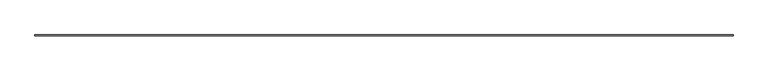
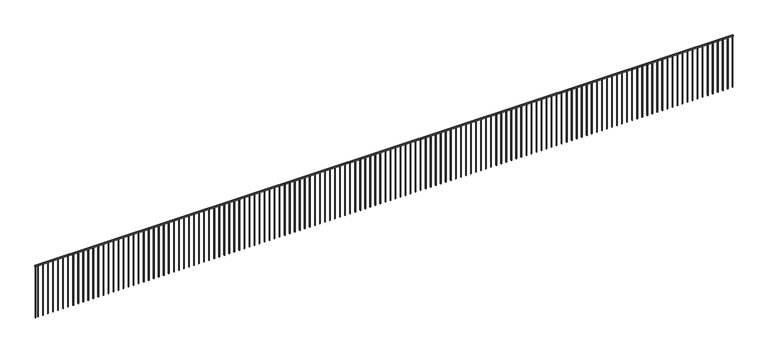
"""IFC4 building model written with IfcOpenShell, lengths in millimetres: railing geometry."""

from ifc_helpers import new_model, si_unit, frame, origin, place, context, project, spatial, polyline, outline, extrude, source, transform, mapped, element, save


def railing_aa4c80cc(model_context):
    return source(origin(), model_context, "Body", "SweptSolid", [
        extrude(outline(polyline([(-3954.7544917, -10644.8763614), (-3954.7544917, -10694.8763614), (-42054.7544917, -10694.8763614), (-42054.7544917, -10644.8763614), (-3954.7544917, -10644.8763614)])), frame((0.0, 0.0, 4850.0), z_axis=(0.0, 0.0, 1.0), x_axis=(1.0, 0.0, 0.0)), (0.0, 0.0, 1.0), 50.0),
        extrude(outline(polyline([(-41892.2544917, -10657.3763614), (-41892.2544917, -10682.3763614), (-41917.2544917, -10682.3763614), (-41917.2544917, -10657.3763614), (-41892.2544917, -10657.3763614)])), frame((0.0, 0.0, 1900.0), z_axis=(0.0, 0.0, 1.0), x_axis=(1.0, 0.0, 0.0)), (0.0, 0.0, 1.0), 2950.0),
        extrude(outline(polyline([(-41617.2544917, -10657.3763614), (-41617.2544917, -10682.3763614), (-41642.2544917, -10682.3763614), (-41642.2544917, -10657.3763614), (-41617.2544917, -10657.3763614)])), frame((0.0, 0.0, 1900.0), z_axis=(0.0, 0.0, 1.0), x_axis=(1.0, 0.0, 0.0)), (0.0, 0.0, 1.0), 2950.0),
        extrude(outline(polyline([(-41342.2544917, -10657.3763614), (-41342.2544917, -10682.3763614), (-41367.2544917, -10682.3763614), (-41367.2544917, -10657.3763614), (-41342.2544917, -10657.3763614)])), frame((0.0, 0.0, 1900.0), z_axis=(0.0, 0.0, 1.0), x_axis=(1.0, 0.0, 0.0)), (0.0, 0.0, 1.0), 2950.0),
        extrude(outline(polyline([(-41067.2544917, -10657.3763614), (-41067.2544917, -10682.3763614), (-41092.2544917, -10682.3763614), (-41092.2544917, -10657.3763614), (-41067.2544917, -10657.3763614)])), frame((0.0, 0.0, 1900.0), z_axis=(0.0, 0.0, 1.0), x_axis=(1.0, 0.0, 0.0)), (0.0, 0.0, 1.0), 2950.0),
        extrude(outline(polyline([(-40792.2544917, -10657.3763614), (-40792.2544917, -10682.3763614), (-40817.2544917, -10682.3763614), (-40817.2544917, -10657.3763614), (-40792.2544917, -10657.3763614)])), frame((0.0, 0.0, 1900.0), z_axis=(0.0, 0.0, 1.0), x_axis=(1.0, 0.0, 0.0)), (0.0, 0.0, 1.0), 2950.0),
        extrude(outline(polyline([(-40517.2544917, -10657.3763614), (-40517.2544917, -10682.3763614), (-40542.2544917, -10682.3763614), (-40542.2544917, -10657.3763614), (-40517.2544917, -10657.3763614)])), frame((0.0, 0.0, 1900.0), z_axis=(0.0, 0.0, 1.0), x_axis=(1.0, 0.0, 0.0)), (0.0, 0.0, 1.0), 2950.0),
        extrude(outline(polyline([(-40242.2544917, -10657.3763614), (-40242.2544917, -10682.3763614), (-40267.2544917, -10682.3763614), (-40267.2544917, -10657.3763614), (-40242.2544917, -10657.3763614)])), frame((0.0, 0.0, 1900.0), z_axis=(0.0, 0.0, 1.0), x_axis=(1.0, 0.0, 0.0)), (0.0, 0.0, 1.0), 2950.0),
        extrude(outline(polyline([(-39967.2544917, -10657.3763614), (-39967.2544917, -10682.3763614), (-39992.2544917, -10682.3763614), (-39992.2544917, -10657.3763614), (-39967.2544917, -10657.3763614)])), frame((0.0, 0.0, 1900.0), z_axis=(0.0, 0.0, 1.0), x_axis=(1.0, 0.0, 0.0)), (0.0, 0.0, 1.0), 2950.0),
        extrude(outline(polyline([(-39692.2544917, -10657.3763614), (-39692.2544917, -10682.3763614), (-39717.2544917, -10682.3763614), (-39717.2544917, -10657.3763614), (-39692.2544917, -10657.3763614)])), frame((0.0, 0.0, 1900.0), z_axis=(0.0, 0.0, 1.0), x_axis=(1.0, 0.0, 0.0)), (0.0, 0.0, 1.0), 2950.0),
        extrude(outline(polyline([(-39417.2544917, -10657.3763614), (-39417.2544917, -10682.3763614), (-39442.2544917, -10682.3763614), (-39442.2544917, -10657.3763614), (-39417.2544917, -10657.3763614)])), frame((0.0, 0.0, 1900.0), z_axis=(0.0, 0.0, 1.0), x_axis=(1.0, 0.0, 0.0)), (0.0, 0.0, 1.0), 2950.0),
        extrude(outline(polyline([(-39142.2544917, -10657.3763614), (-39142.2544917, -10682.3763614), (-39167.2544917, -10682.3763614), (-39167.2544917, -10657.3763614), (-39142.2544917, -10657.3763614)])), frame((0.0, 0.0, 1900.0), z_axis=(0.0, 0.0, 1.0), x_axis=(1.0, 0.0, 0.0)), (0.0, 0.0, 1.0), 2950.0),
        extrude(outline(polyline([(-38867.2544917, -10657.3763614), (-38867.2544917, -10682.3763614), (-38892.2544917, -10682.3763614), (-38892.2544917, -10657.3763614), (-38867.2544917, -10657.3763614)])), frame((0.0, 0.0, 1900.0), z_axis=(0.0, 0.0, 1.0), x_axis=(1.0, 0.0, 0.0)), (0.0, 0.0, 1.0), 2950.0),
        extrude(outline(polyline([(-38592.2544917, -10657.3763614), (-38592.2544917, -10682.3763614), (-38617.2544917, -10682.3763614), (-38617.2544917, -10657.3763614), (-38592.2544917, -10657.3763614)])), frame((0.0, 0.0, 1900.0), z_axis=(0.0, 0.0, 1.0), x_axis=(1.0, 0.0, 0.0)), (0.0, 0.0, 1.0), 2950.0),
        extrude(outline(polyline([(-38317.2544917, -10657.3763614), (-38317.2544917, -10682.3763614), (-38342.2544917, -10682.3763614), (-38342.2544917, -10657.3763614), (-38317.2544917, -10657.3763614)])), frame((0.0, 0.0, 1900.0), z_axis=(0.0, 0.0, 1.0), x_axis=(1.0, 0.0, 0.0)), (0.0, 0.0, 1.0), 2950.0),
        extrude(outline(polyline([(-38042.2544917, -10657.3763614), (-38042.2544917, -10682.3763614), (-38067.2544917, -10682.3763614), (-38067.2544917, -10657.3763614), (-38042.2544917, -10657.3763614)])), frame((0.0, 0.0, 1900.0), z_axis=(0.0, 0.0, 1.0), x_axis=(1.0, 0.0, 0.0)), (0.0, 0.0, 1.0), 2950.0),
        extrude(outline(polyline([(-37767.2544917, -10657.3763614), (-37767.2544917, -10682.3763614), (-37792.2544917, -10682.3763614), (-37792.2544917, -10657.3763614), (-37767.2544917, -10657.3763614)])), frame((0.0, 0.0, 1900.0), z_axis=(0.0, 0.0, 1.0), x_axis=(1.0, 0.0, 0.0)), (0.0, 0.0, 1.0), 2950.0),
        extrude(outline(polyline([(-37492.2544917, -10657.3763614), (-37492.2544917, -10682.3763614), (-37517.2544917, -10682.3763614), (-37517.2544917, -10657.3763614), (-37492.2544917, -10657.3763614)])), frame((0.0, 0.0, 1900.0), z_axis=(0.0, 0.0, 1.0), x_axis=(1.0, 0.0, 0.0)), (0.0, 0.0, 1.0), 2950.0),
        extrude(outline(polyline([(-37217.2544917, -10657.3763614), (-37217.2544917, -10682.3763614), (-37242.2544917, -10682.3763614), (-37242.2544917, -10657.3763614), (-37217.2544917, -10657.3763614)])), frame((0.0, 0.0, 1900.0), z_axis=(0.0, 0.0, 1.0), x_axis=(1.0, 0.0, 0.0)), (0.0, 0.0, 1.0), 2950.0),
        extrude(outline(polyline([(-36942.2544917, -10657.3763614), (-36942.2544917, -10682.3763614), (-36967.2544917, -10682.3763614), (-36967.2544917, -10657.3763614), (-36942.2544917, -10657.3763614)])), frame((0.0, 0.0, 1900.0), z_axis=(0.0, 0.0, 1.0), x_axis=(1.0, 0.0, 0.0)), (0.0, 0.0, 1.0), 2950.0),
        extrude(outline(polyline([(-36667.2544917, -10657.3763614), (-36667.2544917, -10682.3763614), (-36692.2544917, -10682.3763614), (-36692.2544917, -10657.3763614), (-36667.2544917, -10657.3763614)])), frame((0.0, 0.0, 1900.0), z_axis=(0.0, 0.0, 1.0), x_axis=(1.0, 0.0, 0.0)), (0.0, 0.0, 1.0), 2950.0),
        extrude(outline(polyline([(-36392.2544917, -10657.3763614), (-36392.2544917, -10682.3763614), (-36417.2544917, -10682.3763614), (-36417.2544917, -10657.3763614), (-36392.2544917, -10657.3763614)])), frame((0.0, 0.0, 1900.0), z_axis=(0.0, 0.0, 1.0), x_axis=(1.0, 0.0, 0.0)), (0.0, 0.0, 1.0), 2950.0),
        extrude(outline(polyline([(-36117.2544917, -10657.3763614), (-36117.2544917, -10682.3763614), (-36142.2544917, -10682.3763614), (-36142.2544917, -10657.3763614), (-36117.2544917, -10657.3763614)])), frame((0.0, 0.0, 1900.0), z_axis=(0.0, 0.0, 1.0), x_axis=(1.0, 0.0, 0.0)), (0.0, 0.0, 1.0), 2950.0),
        extrude(outline(polyline([(-35842.2544917, -10657.3763614), (-35842.2544917, -10682.3763614), (-35867.2544917, -10682.3763614), (-35867.2544917, -10657.3763614), (-35842.2544917, -10657.3763614)])), frame((0.0, 0.0, 1900.0), z_axis=(0.0, 0.0, 1.0), x_axis=(1.0, 0.0, 0.0)), (0.0, 0.0, 1.0), 2950.0),
        extrude(outline(polyline([(-35567.2544917, -10657.3763614), (-35567.2544917, -10682.3763614), (-35592.2544917, -10682.3763614), (-35592.2544917, -10657.3763614), (-35567.2544917, -10657.3763614)])), frame((0.0, 0.0, 1900.0), z_axis=(0.0, 0.0, 1.0), x_axis=(1.0, 0.0, 0.0)), (0.0, 0.0, 1.0), 2950.0),
        extrude(outline(polyline([(-35292.2544917, -10657.3763614), (-35292.2544917, -10682.3763614), (-35317.2544917, -10682.3763614), (-35317.2544917, -10657.3763614), (-35292.2544917, -10657.3763614)])), frame((0.0, 0.0, 1900.0), z_axis=(0.0, 0.0, 1.0), x_axis=(1.0, 0.0, 0.0)), (0.0, 0.0, 1.0), 2950.0),
        extrude(outline(polyline([(-35017.2544917, -10657.3763614), (-35017.2544917, -10682.3763614), (-35042.2544917, -10682.3763614), (-35042.2544917, -10657.3763614), (-35017.2544917, -10657.3763614)])), frame((0.0, 0.0, 1900.0), z_axis=(0.0, 0.0, 1.0), x_axis=(1.0, 0.0, 0.0)), (0.0, 0.0, 1.0), 2950.0),
        extrude(outline(polyline([(-34742.2544917, -10657.3763614), (-34742.2544917, -10682.3763614), (-34767.2544917, -10682.3763614), (-34767.2544917, -10657.3763614), (-34742.2544917, -10657.3763614)])), frame((0.0, 0.0, 1900.0), z_axis=(0.0, 0.0, 1.0), x_axis=(1.0, 0.0, 0.0)), (0.0, 0.0, 1.0), 2950.0),
        extrude(outline(polyline([(-34467.2544917, -10657.3763614), (-34467.2544917, -10682.3763614), (-34492.2544917, -10682.3763614), (-34492.2544917, -10657.3763614), (-34467.2544917, -10657.3763614)])), frame((0.0, 0.0, 1900.0), z_axis=(0.0, 0.0, 1.0), x_axis=(1.0, 0.0, 0.0)), (0.0, 0.0, 1.0), 2950.0),
        extrude(outline(polyline([(-34192.2544917, -10657.3763614), (-34192.2544917, -10682.3763614), (-34217.2544917, -10682.3763614), (-34217.2544917, -10657.3763614), (-34192.2544917, -10657.3763614)])), frame((0.0, 0.0, 1900.0), z_axis=(0.0, 0.0, 1.0), x_axis=(1.0, 0.0, 0.0)), (0.0, 0.0, 1.0), 2950.0),
        extrude(outline(polyline([(-33917.2544917, -10657.3763614), (-33917.2544917, -10682.3763614), (-33942.2544917, -10682.3763614), (-33942.2544917, -10657.3763614), (-33917.2544917, -10657.3763614)])), frame((0.0, 0.0, 1900.0), z_axis=(0.0, 0.0, 1.0), x_axis=(1.0, 0.0, 0.0)), (0.0, 0.0, 1.0), 2950.0),
        extrude(outline(polyline([(-33642.2544917, -10657.3763614), (-33642.2544917, -10682.3763614), (-33667.2544917, -10682.3763614), (-33667.2544917, -10657.3763614), (-33642.2544917, -10657.3763614)])), frame((0.0, 0.0, 1900.0), z_axis=(0.0, 0.0, 1.0), x_axis=(1.0, 0.0, 0.0)), (0.0, 0.0, 1.0), 2950.0),
        extrude(outline(polyline([(-33367.2544917, -10657.3763614), (-33367.2544917, -10682.3763614), (-33392.2544917, -10682.3763614), (-33392.2544917, -10657.3763614), (-33367.2544917, -10657.3763614)])), frame((0.0, 0.0, 1900.0), z_axis=(0.0, 0.0, 1.0), x_axis=(1.0, 0.0, 0.0)), (0.0, 0.0, 1.0), 2950.0),
        extrude(outline(polyline([(-33092.2544917, -10657.3763614), (-33092.2544917, -10682.3763614), (-33117.2544917, -10682.3763614), (-33117.2544917, -10657.3763614), (-33092.2544917, -10657.3763614)])), frame((0.0, 0.0, 1900.0), z_axis=(0.0, 0.0, 1.0), x_axis=(1.0, 0.0, 0.0)), (0.0, 0.0, 1.0), 2950.0),
        extrude(outline(polyline([(-32817.2544917, -10657.3763614), (-32817.2544917, -10682.3763614), (-32842.2544917, -10682.3763614), (-32842.2544917, -10657.3763614), (-32817.2544917, -10657.3763614)])), frame((0.0, 0.0, 1900.0), z_axis=(0.0, 0.0, 1.0), x_axis=(1.0, 0.0, 0.0)), (0.0, 0.0, 1.0), 2950.0),
        extrude(outline(polyline([(-32542.2544917, -10657.3763614), (-32542.2544917, -10682.3763614), (-32567.2544917, -10682.3763614), (-32567.2544917, -10657.3763614), (-32542.2544917, -10657.3763614)])), frame((0.0, 0.0, 1900.0), z_axis=(0.0, 0.0, 1.0), x_axis=(1.0, 0.0, 0.0)), (0.0, 0.0, 1.0), 2950.0),
        extrude(outline(polyline([(-32267.2544917, -10657.3763614), (-32267.2544917, -10682.3763614), (-32292.2544917, -10682.3763614), (-32292.2544917, -10657.3763614), (-32267.2544917, -10657.3763614)])), frame((0.0, 0.0, 1900.0), z_axis=(0.0, 0.0, 1.0), x_axis=(1.0, 0.0, 0.0)), (0.0, 0.0, 1.0), 2950.0),
        extrude(outline(polyline([(-31992.2544917, -10657.3763614), (-31992.2544917, -10682.3763614), (-32017.2544917, -10682.3763614), (-32017.2544917, -10657.3763614), (-31992.2544917, -10657.3763614)])), frame((0.0, 0.0, 1900.0), z_axis=(0.0, 0.0, 1.0), x_axis=(1.0, 0.0, 0.0)), (0.0, 0.0, 1.0), 2950.0),
        extrude(outline(polyline([(-31717.2544917, -10657.3763614), (-31717.2544917, -10682.3763614), (-31742.2544917, -10682.3763614), (-31742.2544917, -10657.3763614), (-31717.2544917, -10657.3763614)])), frame((0.0, 0.0, 1900.0), z_axis=(0.0, 0.0, 1.0), x_axis=(1.0, 0.0, 0.0)), (0.0, 0.0, 1.0), 2950.0),
        extrude(outline(polyline([(-31442.2544917, -10657.3763614), (-31442.2544917, -10682.3763614), (-31467.2544917, -10682.3763614), (-31467.2544917, -10657.3763614), (-31442.2544917, -10657.3763614)])), frame((0.0, 0.0, 1900.0), z_axis=(0.0, 0.0, 1.0), x_axis=(1.0, 0.0, 0.0)), (0.0, 0.0, 1.0), 2950.0),
        extrude(outline(polyline([(-31167.2544917, -10657.3763614), (-31167.2544917, -10682.3763614), (-31192.2544917, -10682.3763614), (-31192.2544917, -10657.3763614), (-31167.2544917, -10657.3763614)])), frame((0.0, 0.0, 1900.0), z_axis=(0.0, 0.0, 1.0), x_axis=(1.0, 0.0, 0.0)), (0.0, 0.0, 1.0), 2950.0),
        extrude(outline(polyline([(-30892.2544917, -10657.3763614), (-30892.2544917, -10682.3763614), (-30917.2544917, -10682.3763614), (-30917.2544917, -10657.3763614), (-30892.2544917, -10657.3763614)])), frame((0.0, 0.0, 1900.0), z_axis=(0.0, 0.0, 1.0), x_axis=(1.0, 0.0, 0.0)), (0.0, 0.0, 1.0), 2950.0),
        extrude(outline(polyline([(-30617.2544917, -10657.3763614), (-30617.2544917, -10682.3763614), (-30642.2544917, -10682.3763614), (-30642.2544917, -10657.3763614), (-30617.2544917, -10657.3763614)])), frame((0.0, 0.0, 1900.0), z_axis=(0.0, 0.0, 1.0), x_axis=(1.0, 0.0, 0.0)), (0.0, 0.0, 1.0), 2950.0),
        extrude(outline(polyline([(-30342.2544917, -10657.3763614), (-30342.2544917, -10682.3763614), (-30367.2544917, -10682.3763614), (-30367.2544917, -10657.3763614), (-30342.2544917, -10657.3763614)])), frame((0.0, 0.0, 1900.0), z_axis=(0.0, 0.0, 1.0), x_axis=(1.0, 0.0, 0.0)), (0.0, 0.0, 1.0), 2950.0),
        extrude(outline(polyline([(-30067.2544917, -10657.3763614), (-30067.2544917, -10682.3763614), (-30092.2544917, -10682.3763614), (-30092.2544917, -10657.3763614), (-30067.2544917, -10657.3763614)])), frame((0.0, 0.0, 1900.0), z_axis=(0.0, 0.0, 1.0), x_axis=(1.0, 0.0, 0.0)), (0.0, 0.0, 1.0), 2950.0),
        extrude(outline(polyline([(-29792.2544917, -10657.3763614), (-29792.2544917, -10682.3763614), (-29817.2544917, -10682.3763614), (-29817.2544917, -10657.3763614), (-29792.2544917, -10657.3763614)])), frame((0.0, 0.0, 1900.0), z_axis=(0.0, 0.0, 1.0), x_axis=(1.0, 0.0, 0.0)), (0.0, 0.0, 1.0), 2950.0),
        extrude(outline(polyline([(-29517.2544917, -10657.3763614), (-29517.2544917, -10682.3763614), (-29542.2544917, -10682.3763614), (-29542.2544917, -10657.3763614), (-29517.2544917, -10657.3763614)])), frame((0.0, 0.0, 1900.0), z_axis=(0.0, 0.0, 1.0), x_axis=(1.0, 0.0, 0.0)), (0.0, 0.0, 1.0), 2950.0),
        extrude(outline(polyline([(-29242.2544917, -10657.3763614), (-29242.2544917, -10682.3763614), (-29267.2544917, -10682.3763614), (-29267.2544917, -10657.3763614), (-29242.2544917, -10657.3763614)])), frame((0.0, 0.0, 1900.0), z_axis=(0.0, 0.0, 1.0), x_axis=(1.0, 0.0, 0.0)), (0.0, 0.0, 1.0), 2950.0),
        extrude(outline(polyline([(-28967.2544917, -10657.3763614), (-28967.2544917, -10682.3763614), (-28992.2544917, -10682.3763614), (-28992.2544917, -10657.3763614), (-28967.2544917, -10657.3763614)])), frame((0.0, 0.0, 1900.0), z_axis=(0.0, 0.0, 1.0), x_axis=(1.0, 0.0, 0.0)), (0.0, 0.0, 1.0), 2950.0),
        extrude(outline(polyline([(-28692.2544917, -10657.3763614), (-28692.2544917, -10682.3763614), (-28717.2544917, -10682.3763614), (-28717.2544917, -10657.3763614), (-28692.2544917, -10657.3763614)])), frame((0.0, 0.0, 1900.0), z_axis=(0.0, 0.0, 1.0), x_axis=(1.0, 0.0, 0.0)), (0.0, 0.0, 1.0), 2950.0),
        extrude(outline(polyline([(-28417.2544917, -10657.3763614), (-28417.2544917, -10682.3763614), (-28442.2544917, -10682.3763614), (-28442.2544917, -10657.3763614), (-28417.2544917, -10657.3763614)])), frame((0.0, 0.0, 1900.0), z_axis=(0.0, 0.0, 1.0), x_axis=(1.0, 0.0, 0.0)), (0.0, 0.0, 1.0), 2950.0),
        extrude(outline(polyline([(-28142.2544917, -10657.3763614), (-28142.2544917, -10682.3763614), (-28167.2544917, -10682.3763614), (-28167.2544917, -10657.3763614), (-28142.2544917, -10657.3763614)])), frame((0.0, 0.0, 1900.0), z_axis=(0.0, 0.0, 1.0), x_axis=(1.0, 0.0, 0.0)), (0.0, 0.0, 1.0), 2950.0),
        extrude(outline(polyline([(-27867.2544917, -10657.3763614), (-27867.2544917, -10682.3763614), (-27892.2544917, -10682.3763614), (-27892.2544917, -10657.3763614), (-27867.2544917, -10657.3763614)])), frame((0.0, 0.0, 1900.0), z_axis=(0.0, 0.0, 1.0), x_axis=(1.0, 0.0, 0.0)), (0.0, 0.0, 1.0), 2950.0),
        extrude(outline(polyline([(-27592.2544917, -10657.3763614), (-27592.2544917, -10682.3763614), (-27617.2544917, -10682.3763614), (-27617.2544917, -10657.3763614), (-27592.2544917, -10657.3763614)])), frame((0.0, 0.0, 1900.0), z_axis=(0.0, 0.0, 1.0), x_axis=(1.0, 0.0, 0.0)), (0.0, 0.0, 1.0), 2950.0),
        extrude(outline(polyline([(-27317.2544917, -10657.3763614), (-27317.2544917, -10682.3763614), (-27342.2544917, -10682.3763614), (-27342.2544917, -10657.3763614), (-27317.2544917, -10657.3763614)])), frame((0.0, 0.0, 1900.0), z_axis=(0.0, 0.0, 1.0), x_axis=(1.0, 0.0, 0.0)), (0.0, 0.0, 1.0), 2950.0),
        extrude(outline(polyline([(-27042.2544917, -10657.3763614), (-27042.2544917, -10682.3763614), (-27067.2544917, -10682.3763614), (-27067.2544917, -10657.3763614), (-27042.2544917, -10657.3763614)])), frame((0.0, 0.0, 1900.0), z_axis=(0.0, 0.0, 1.0), x_axis=(1.0, 0.0, 0.0)), (0.0, 0.0, 1.0), 2950.0),
        extrude(outline(polyline([(-26767.2544917, -10657.3763614), (-26767.2544917, -10682.3763614), (-26792.2544917, -10682.3763614), (-26792.2544917, -10657.3763614), (-26767.2544917, -10657.3763614)])), frame((0.0, 0.0, 1900.0), z_axis=(0.0, 0.0, 1.0), x_axis=(1.0, 0.0, 0.0)), (0.0, 0.0, 1.0), 2950.0),
        extrude(outline(polyline([(-26492.2544917, -10657.3763614), (-26492.2544917, -10682.3763614), (-26517.2544917, -10682.3763614), (-26517.2544917, -10657.3763614), (-26492.2544917, -10657.3763614)])), frame((0.0, 0.0, 1900.0), z_axis=(0.0, 0.0, 1.0), x_axis=(1.0, 0.0, 0.0)), (0.0, 0.0, 1.0), 2950.0),
        extrude(outline(polyline([(-26217.2544917, -10657.3763614), (-26217.2544917, -10682.3763614), (-26242.2544917, -10682.3763614), (-26242.2544917, -10657.3763614), (-26217.2544917, -10657.3763614)])), frame((0.0, 0.0, 1900.0), z_axis=(0.0, 0.0, 1.0), x_axis=(1.0, 0.0, 0.0)), (0.0, 0.0, 1.0), 2950.0),
        extrude(outline(polyline([(-25942.2544917, -10657.3763614), (-25942.2544917, -10682.3763614), (-25967.2544917, -10682.3763614), (-25967.2544917, -10657.3763614), (-25942.2544917, -10657.3763614)])), frame((0.0, 0.0, 1900.0), z_axis=(0.0, 0.0, 1.0), x_axis=(1.0, 0.0, 0.0)), (0.0, 0.0, 1.0), 2950.0),
        extrude(outline(polyline([(-25667.2544917, -10657.3763614), (-25667.2544917, -10682.3763614), (-25692.2544917, -10682.3763614), (-25692.2544917, -10657.3763614), (-25667.2544917, -10657.3763614)])), frame((0.0, 0.0, 1900.0), z_axis=(0.0, 0.0, 1.0), x_axis=(1.0, 0.0, 0.0)), (0.0, 0.0, 1.0), 2950.0),
        extrude(outline(polyline([(-25392.2544917, -10657.3763614), (-25392.2544917, -10682.3763614), (-25417.2544917, -10682.3763614), (-25417.2544917, -10657.3763614), (-25392.2544917, -10657.3763614)])), frame((0.0, 0.0, 1900.0), z_axis=(0.0, 0.0, 1.0), x_axis=(1.0, 0.0, 0.0)), (0.0, 0.0, 1.0), 2950.0),
        extrude(outline(polyline([(-25117.2544917, -10657.3763614), (-25117.2544917, -10682.3763614), (-25142.2544917, -10682.3763614), (-25142.2544917, -10657.3763614), (-25117.2544917, -10657.3763614)])), frame((0.0, 0.0, 1900.0), z_axis=(0.0, 0.0, 1.0), x_axis=(1.0, 0.0, 0.0)), (0.0, 0.0, 1.0), 2950.0),
        extrude(outline(polyline([(-24842.2544917, -10657.3763614), (-24842.2544917, -10682.3763614), (-24867.2544917, -10682.3763614), (-24867.2544917, -10657.3763614), (-24842.2544917, -10657.3763614)])), frame((0.0, 0.0, 1900.0), z_axis=(0.0, 0.0, 1.0), x_axis=(1.0, 0.0, 0.0)), (0.0, 0.0, 1.0), 2950.0),
        extrude(outline(polyline([(-24567.2544917, -10657.3763614), (-24567.2544917, -10682.3763614), (-24592.2544917, -10682.3763614), (-24592.2544917, -10657.3763614), (-24567.2544917, -10657.3763614)])), frame((0.0, 0.0, 1900.0), z_axis=(0.0, 0.0, 1.0), x_axis=(1.0, 0.0, 0.0)), (0.0, 0.0, 1.0), 2950.0),
        extrude(outline(polyline([(-24292.2544917, -10657.3763614), (-24292.2544917, -10682.3763614), (-24317.2544917, -10682.3763614), (-24317.2544917, -10657.3763614), (-24292.2544917, -10657.3763614)])), frame((0.0, 0.0, 1900.0), z_axis=(0.0, 0.0, 1.0), x_axis=(1.0, 0.0, 0.0)), (0.0, 0.0, 1.0), 2950.0),
        extrude(outline(polyline([(-24017.2544917, -10657.3763614), (-24017.2544917, -10682.3763614), (-24042.2544917, -10682.3763614), (-24042.2544917, -10657.3763614), (-24017.2544917, -10657.3763614)])), frame((0.0, 0.0, 1900.0), z_axis=(0.0, 0.0, 1.0), x_axis=(1.0, 0.0, 0.0)), (0.0, 0.0, 1.0), 2950.0),
        extrude(outline(polyline([(-23742.2544917, -10657.3763614), (-23742.2544917, -10682.3763614), (-23767.2544917, -10682.3763614), (-23767.2544917, -10657.3763614), (-23742.2544917, -10657.3763614)])), frame((0.0, 0.0, 1900.0), z_axis=(0.0, 0.0, 1.0), x_axis=(1.0, 0.0, 0.0)), (0.0, 0.0, 1.0), 2950.0),
        extrude(outline(polyline([(-23467.2544917, -10657.3763614), (-23467.2544917, -10682.3763614), (-23492.2544917, -10682.3763614), (-23492.2544917, -10657.3763614), (-23467.2544917, -10657.3763614)])), frame((0.0, 0.0, 1900.0), z_axis=(0.0, 0.0, 1.0), x_axis=(1.0, 0.0, 0.0)), (0.0, 0.0, 1.0), 2950.0),
        extrude(outline(polyline([(-23192.2544917, -10657.3763614), (-23192.2544917, -10682.3763614), (-23217.2544917, -10682.3763614), (-23217.2544917, -10657.3763614), (-23192.2544917, -10657.3763614)])), frame((0.0, 0.0, 1900.0), z_axis=(0.0, 0.0, 1.0), x_axis=(1.0, 0.0, 0.0)), (0.0, 0.0, 1.0), 2950.0),
        extrude(outline(polyline([(-22917.2544917, -10657.3763614), (-22917.2544917, -10682.3763614), (-22942.2544917, -10682.3763614), (-22942.2544917, -10657.3763614), (-22917.2544917, -10657.3763614)])), frame((0.0, 0.0, 1900.0), z_axis=(0.0, 0.0, 1.0), x_axis=(1.0, 0.0, 0.0)), (0.0, 0.0, 1.0), 2950.0),
        extrude(outline(polyline([(-22642.2544917, -10657.3763614), (-22642.2544917, -10682.3763614), (-22667.2544917, -10682.3763614), (-22667.2544917, -10657.3763614), (-22642.2544917, -10657.3763614)])), frame((0.0, 0.0, 1900.0), z_axis=(0.0, 0.0, 1.0), x_axis=(1.0, 0.0, 0.0)), (0.0, 0.0, 1.0), 2950.0),
        extrude(outline(polyline([(-22367.2544917, -10657.3763614), (-22367.2544917, -10682.3763614), (-22392.2544917, -10682.3763614), (-22392.2544917, -10657.3763614), (-22367.2544917, -10657.3763614)])), frame((0.0, 0.0, 1900.0), z_axis=(0.0, 0.0, 1.0), x_axis=(1.0, 0.0, 0.0)), (0.0, 0.0, 1.0), 2950.0),
        extrude(outline(polyline([(-22092.2544917, -10657.3763614), (-22092.2544917, -10682.3763614), (-22117.2544917, -10682.3763614), (-22117.2544917, -10657.3763614), (-22092.2544917, -10657.3763614)])), frame((0.0, 0.0, 1900.0), z_axis=(0.0, 0.0, 1.0), x_axis=(1.0, 0.0, 0.0)), (0.0, 0.0, 1.0), 2950.0),
        extrude(outline(polyline([(-21817.2544917, -10657.3763614), (-21817.2544917, -10682.3763614), (-21842.2544917, -10682.3763614), (-21842.2544917, -10657.3763614), (-21817.2544917, -10657.3763614)])), frame((0.0, 0.0, 1900.0), z_axis=(0.0, 0.0, 1.0), x_axis=(1.0, 0.0, 0.0)), (0.0, 0.0, 1.0), 2950.0),
        extrude(outline(polyline([(-21542.2544917, -10657.3763614), (-21542.2544917, -10682.3763614), (-21567.2544917, -10682.3763614), (-21567.2544917, -10657.3763614), (-21542.2544917, -10657.3763614)])), frame((0.0, 0.0, 1900.0), z_axis=(0.0, 0.0, 1.0), x_axis=(1.0, 0.0, 0.0)), (0.0, 0.0, 1.0), 2950.0),
        extrude(outline(polyline([(-21267.2544917, -10657.3763614), (-21267.2544917, -10682.3763614), (-21292.2544917, -10682.3763614), (-21292.2544917, -10657.3763614), (-21267.2544917, -10657.3763614)])), frame((0.0, 0.0, 1900.0), z_axis=(0.0, 0.0, 1.0), x_axis=(1.0, 0.0, 0.0)), (0.0, 0.0, 1.0), 2950.0),
        extrude(outline(polyline([(-20992.2544917, -10657.3763614), (-20992.2544917, -10682.3763614), (-21017.2544917, -10682.3763614), (-21017.2544917, -10657.3763614), (-20992.2544917, -10657.3763614)])), frame((0.0, 0.0, 1900.0), z_axis=(0.0, 0.0, 1.0), x_axis=(1.0, 0.0, 0.0)), (0.0, 0.0, 1.0), 2950.0),
        extrude(outline(polyline([(-20717.2544917, -10657.3763614), (-20717.2544917, -10682.3763614), (-20742.2544917, -10682.3763614), (-20742.2544917, -10657.3763614), (-20717.2544917, -10657.3763614)])), frame((0.0, 0.0, 1900.0), z_axis=(0.0, 0.0, 1.0), x_axis=(1.0, 0.0, 0.0)), (0.0, 0.0, 1.0), 2950.0),
        extrude(outline(polyline([(-20442.2544917, -10657.3763614), (-20442.2544917, -10682.3763614), (-20467.2544917, -10682.3763614), (-20467.2544917, -10657.3763614), (-20442.2544917, -10657.3763614)])), frame((0.0, 0.0, 1900.0), z_axis=(0.0, 0.0, 1.0), x_axis=(1.0, 0.0, 0.0)), (0.0, 0.0, 1.0), 2950.0),
        extrude(outline(polyline([(-20167.2544917, -10657.3763614), (-20167.2544917, -10682.3763614), (-20192.2544917, -10682.3763614), (-20192.2544917, -10657.3763614), (-20167.2544917, -10657.3763614)])), frame((0.0, 0.0, 1900.0), z_axis=(0.0, 0.0, 1.0), x_axis=(1.0, 0.0, 0.0)), (0.0, 0.0, 1.0), 2950.0),
        extrude(outline(polyline([(-19892.2544917, -10657.3763614), (-19892.2544917, -10682.3763614), (-19917.2544917, -10682.3763614), (-19917.2544917, -10657.3763614), (-19892.2544917, -10657.3763614)])), frame((0.0, 0.0, 1900.0), z_axis=(0.0, 0.0, 1.0), x_axis=(1.0, 0.0, 0.0)), (0.0, 0.0, 1.0), 2950.0),
        extrude(outline(polyline([(-19617.2544917, -10657.3763614), (-19617.2544917, -10682.3763614), (-19642.2544917, -10682.3763614), (-19642.2544917, -10657.3763614), (-19617.2544917, -10657.3763614)])), frame((0.0, 0.0, 1900.0), z_axis=(0.0, 0.0, 1.0), x_axis=(1.0, 0.0, 0.0)), (0.0, 0.0, 1.0), 2950.0),
        extrude(outline(polyline([(-19342.2544917, -10657.3763614), (-19342.2544917, -10682.3763614), (-19367.2544917, -10682.3763614), (-19367.2544917, -10657.3763614), (-19342.2544917, -10657.3763614)])), frame((0.0, 0.0, 1900.0), z_axis=(0.0, 0.0, 1.0), x_axis=(1.0, 0.0, 0.0)), (0.0, 0.0, 1.0), 2950.0),
        extrude(outline(polyline([(-19067.2544917, -10657.3763614), (-19067.2544917, -10682.3763614), (-19092.2544917, -10682.3763614), (-19092.2544917, -10657.3763614), (-19067.2544917, -10657.3763614)])), frame((0.0, 0.0, 1900.0), z_axis=(0.0, 0.0, 1.0), x_axis=(1.0, 0.0, 0.0)), (0.0, 0.0, 1.0), 2950.0),
        extrude(outline(polyline([(-18792.2544917, -10657.3763614), (-18792.2544917, -10682.3763614), (-18817.2544917, -10682.3763614), (-18817.2544917, -10657.3763614), (-18792.2544917, -10657.3763614)])), frame((0.0, 0.0, 1900.0), z_axis=(0.0, 0.0, 1.0), x_axis=(1.0, 0.0, 0.0)), (0.0, 0.0, 1.0), 2950.0),
        extrude(outline(polyline([(-18517.2544917, -10657.3763614), (-18517.2544917, -10682.3763614), (-18542.2544917, -10682.3763614), (-18542.2544917, -10657.3763614), (-18517.2544917, -10657.3763614)])), frame((0.0, 0.0, 1900.0), z_axis=(0.0, 0.0, 1.0), x_axis=(1.0, 0.0, 0.0)), (0.0, 0.0, 1.0), 2950.0),
        extrude(outline(polyline([(-18242.2544917, -10657.3763614), (-18242.2544917, -10682.3763614), (-18267.2544917, -10682.3763614), (-18267.2544917, -10657.3763614), (-18242.2544917, -10657.3763614)])), frame((0.0, 0.0, 1900.0), z_axis=(0.0, 0.0, 1.0), x_axis=(1.0, 0.0, 0.0)), (0.0, 0.0, 1.0), 2950.0),
        extrude(outline(polyline([(-17967.2544917, -10657.3763614), (-17967.2544917, -10682.3763614), (-17992.2544917, -10682.3763614), (-17992.2544917, -10657.3763614), (-17967.2544917, -10657.3763614)])), frame((0.0, 0.0, 1900.0), z_axis=(0.0, 0.0, 1.0), x_axis=(1.0, 0.0, 0.0)), (0.0, 0.0, 1.0), 2950.0),
        extrude(outline(polyline([(-17692.2544917, -10657.3763614), (-17692.2544917, -10682.3763614), (-17717.2544917, -10682.3763614), (-17717.2544917, -10657.3763614), (-17692.2544917, -10657.3763614)])), frame((0.0, 0.0, 1900.0), z_axis=(0.0, 0.0, 1.0), x_axis=(1.0, 0.0, 0.0)), (0.0, 0.0, 1.0), 2950.0),
        extrude(outline(polyline([(-17417.2544917, -10657.3763614), (-17417.2544917, -10682.3763614), (-17442.2544917, -10682.3763614), (-17442.2544917, -10657.3763614), (-17417.2544917, -10657.3763614)])), frame((0.0, 0.0, 1900.0), z_axis=(0.0, 0.0, 1.0), x_axis=(1.0, 0.0, 0.0)), (0.0, 0.0, 1.0), 2950.0),
        extrude(outline(polyline([(-17142.2544917, -10657.3763614), (-17142.2544917, -10682.3763614), (-17167.2544917, -10682.3763614), (-17167.2544917, -10657.3763614), (-17142.2544917, -10657.3763614)])), frame((0.0, 0.0, 1900.0), z_axis=(0.0, 0.0, 1.0), x_axis=(1.0, 0.0, 0.0)), (0.0, 0.0, 1.0), 2950.0),
        extrude(outline(polyline([(-16867.2544917, -10657.3763614), (-16867.2544917, -10682.3763614), (-16892.2544917, -10682.3763614), (-16892.2544917, -10657.3763614), (-16867.2544917, -10657.3763614)])), frame((0.0, 0.0, 1900.0), z_axis=(0.0, 0.0, 1.0), x_axis=(1.0, 0.0, 0.0)), (0.0, 0.0, 1.0), 2950.0),
        extrude(outline(polyline([(-16592.2544917, -10657.3763614), (-16592.2544917, -10682.3763614), (-16617.2544917, -10682.3763614), (-16617.2544917, -10657.3763614), (-16592.2544917, -10657.3763614)])), frame((0.0, 0.0, 1900.0), z_axis=(0.0, 0.0, 1.0), x_axis=(1.0, 0.0, 0.0)), (0.0, 0.0, 1.0), 2950.0),
        extrude(outline(polyline([(-16317.2544917, -10657.3763614), (-16317.2544917, -10682.3763614), (-16342.2544917, -10682.3763614), (-16342.2544917, -10657.3763614), (-16317.2544917, -10657.3763614)])), frame((0.0, 0.0, 1900.0), z_axis=(0.0, 0.0, 1.0), x_axis=(1.0, 0.0, 0.0)), (0.0, 0.0, 1.0), 2950.0),
        extrude(outline(polyline([(-16042.2544917, -10657.3763614), (-16042.2544917, -10682.3763614), (-16067.2544917, -10682.3763614), (-16067.2544917, -10657.3763614), (-16042.2544917, -10657.3763614)])), frame((0.0, 0.0, 1900.0), z_axis=(0.0, 0.0, 1.0), x_axis=(1.0, 0.0, 0.0)), (0.0, 0.0, 1.0), 2950.0),
        extrude(outline(polyline([(-15767.2544917, -10657.3763614), (-15767.2544917, -10682.3763614), (-15792.2544917, -10682.3763614), (-15792.2544917, -10657.3763614), (-15767.2544917, -10657.3763614)])), frame((0.0, 0.0, 1900.0), z_axis=(0.0, 0.0, 1.0), x_axis=(1.0, 0.0, 0.0)), (0.0, 0.0, 1.0), 2950.0),
        extrude(outline(polyline([(-15492.2544917, -10657.3763614), (-15492.2544917, -10682.3763614), (-15517.2544917, -10682.3763614), (-15517.2544917, -10657.3763614), (-15492.2544917, -10657.3763614)])), frame((0.0, 0.0, 1900.0), z_axis=(0.0, 0.0, 1.0), x_axis=(1.0, 0.0, 0.0)), (0.0, 0.0, 1.0), 2950.0),
        extrude(outline(polyline([(-15217.2544917, -10657.3763614), (-15217.2544917, -10682.3763614), (-15242.2544917, -10682.3763614), (-15242.2544917, -10657.3763614), (-15217.2544917, -10657.3763614)])), frame((0.0, 0.0, 1900.0), z_axis=(0.0, 0.0, 1.0), x_axis=(1.0, 0.0, 0.0)), (0.0, 0.0, 1.0), 2950.0),
        extrude(outline(polyline([(-14942.2544917, -10657.3763614), (-14942.2544917, -10682.3763614), (-14967.2544917, -10682.3763614), (-14967.2544917, -10657.3763614), (-14942.2544917, -10657.3763614)])), frame((0.0, 0.0, 1900.0), z_axis=(0.0, 0.0, 1.0), x_axis=(1.0, 0.0, 0.0)), (0.0, 0.0, 1.0), 2950.0),
        extrude(outline(polyline([(-14667.2544917, -10657.3763614), (-14667.2544917, -10682.3763614), (-14692.2544917, -10682.3763614), (-14692.2544917, -10657.3763614), (-14667.2544917, -10657.3763614)])), frame((0.0, 0.0, 1900.0), z_axis=(0.0, 0.0, 1.0), x_axis=(1.0, 0.0, 0.0)), (0.0, 0.0, 1.0), 2950.0),
        extrude(outline(polyline([(-14392.2544917, -10657.3763614), (-14392.2544917, -10682.3763614), (-14417.2544917, -10682.3763614), (-14417.2544917, -10657.3763614), (-14392.2544917, -10657.3763614)])), frame((0.0, 0.0, 1900.0), z_axis=(0.0, 0.0, 1.0), x_axis=(1.0, 0.0, 0.0)), (0.0, 0.0, 1.0), 2950.0),
        extrude(outline(polyline([(-14117.2544917, -10657.3763614), (-14117.2544917, -10682.3763614), (-14142.2544917, -10682.3763614), (-14142.2544917, -10657.3763614), (-14117.2544917, -10657.3763614)])), frame((0.0, 0.0, 1900.0), z_axis=(0.0, 0.0, 1.0), x_axis=(1.0, 0.0, 0.0)), (0.0, 0.0, 1.0), 2950.0),
        extrude(outline(polyline([(-13842.2544917, -10657.3763614), (-13842.2544917, -10682.3763614), (-13867.2544917, -10682.3763614), (-13867.2544917, -10657.3763614), (-13842.2544917, -10657.3763614)])), frame((0.0, 0.0, 1900.0), z_axis=(0.0, 0.0, 1.0), x_axis=(1.0, 0.0, 0.0)), (0.0, 0.0, 1.0), 2950.0),
        extrude(outline(polyline([(-13567.2544917, -10657.3763614), (-13567.2544917, -10682.3763614), (-13592.2544917, -10682.3763614), (-13592.2544917, -10657.3763614), (-13567.2544917, -10657.3763614)])), frame((0.0, 0.0, 1900.0), z_axis=(0.0, 0.0, 1.0), x_axis=(1.0, 0.0, 0.0)), (0.0, 0.0, 1.0), 2950.0),
        extrude(outline(polyline([(-13292.2544917, -10657.3763614), (-13292.2544917, -10682.3763614), (-13317.2544917, -10682.3763614), (-13317.2544917, -10657.3763614), (-13292.2544917, -10657.3763614)])), frame((0.0, 0.0, 1900.0), z_axis=(0.0, 0.0, 1.0), x_axis=(1.0, 0.0, 0.0)), (0.0, 0.0, 1.0), 2950.0),
        extrude(outline(polyline([(-13017.2544917, -10657.3763614), (-13017.2544917, -10682.3763614), (-13042.2544917, -10682.3763614), (-13042.2544917, -10657.3763614), (-13017.2544917, -10657.3763614)])), frame((0.0, 0.0, 1900.0), z_axis=(0.0, 0.0, 1.0), x_axis=(1.0, 0.0, 0.0)), (0.0, 0.0, 1.0), 2950.0),
        extrude(outline(polyline([(-12742.2544917, -10657.3763614), (-12742.2544917, -10682.3763614), (-12767.2544917, -10682.3763614), (-12767.2544917, -10657.3763614), (-12742.2544917, -10657.3763614)])), frame((0.0, 0.0, 1900.0), z_axis=(0.0, 0.0, 1.0), x_axis=(1.0, 0.0, 0.0)), (0.0, 0.0, 1.0), 2950.0),
        extrude(outline(polyline([(-12467.2544917, -10657.3763614), (-12467.2544917, -10682.3763614), (-12492.2544917, -10682.3763614), (-12492.2544917, -10657.3763614), (-12467.2544917, -10657.3763614)])), frame((0.0, 0.0, 1900.0), z_axis=(0.0, 0.0, 1.0), x_axis=(1.0, 0.0, 0.0)), (0.0, 0.0, 1.0), 2950.0),
        extrude(outline(polyline([(-12192.2544917, -10657.3763614), (-12192.2544917, -10682.3763614), (-12217.2544917, -10682.3763614), (-12217.2544917, -10657.3763614), (-12192.2544917, -10657.3763614)])), frame((0.0, 0.0, 1900.0), z_axis=(0.0, 0.0, 1.0), x_axis=(1.0, 0.0, 0.0)), (0.0, 0.0, 1.0), 2950.0),
        extrude(outline(polyline([(-11917.2544917, -10657.3763614), (-11917.2544917, -10682.3763614), (-11942.2544917, -10682.3763614), (-11942.2544917, -10657.3763614), (-11917.2544917, -10657.3763614)])), frame((0.0, 0.0, 1900.0), z_axis=(0.0, 0.0, 1.0), x_axis=(1.0, 0.0, 0.0)), (0.0, 0.0, 1.0), 2950.0),
        extrude(outline(polyline([(-11642.2544917, -10657.3763614), (-11642.2544917, -10682.3763614), (-11667.2544917, -10682.3763614), (-11667.2544917, -10657.3763614), (-11642.2544917, -10657.3763614)])), frame((0.0, 0.0, 1900.0), z_axis=(0.0, 0.0, 1.0), x_axis=(1.0, 0.0, 0.0)), (0.0, 0.0, 1.0), 2950.0),
        extrude(outline(polyline([(-11367.2544917, -10657.3763614), (-11367.2544917, -10682.3763614), (-11392.2544917, -10682.3763614), (-11392.2544917, -10657.3763614), (-11367.2544917, -10657.3763614)])), frame((0.0, 0.0, 1900.0), z_axis=(0.0, 0.0, 1.0), x_axis=(1.0, 0.0, 0.0)), (0.0, 0.0, 1.0), 2950.0),
        extrude(outline(polyline([(-11092.2544917, -10657.3763614), (-11092.2544917, -10682.3763614), (-11117.2544917, -10682.3763614), (-11117.2544917, -10657.3763614), (-11092.2544917, -10657.3763614)])), frame((0.0, 0.0, 1900.0), z_axis=(0.0, 0.0, 1.0), x_axis=(1.0, 0.0, 0.0)), (0.0, 0.0, 1.0), 2950.0),
        extrude(outline(polyline([(-10817.2544917, -10657.3763614), (-10817.2544917, -10682.3763614), (-10842.2544917, -10682.3763614), (-10842.2544917, -10657.3763614), (-10817.2544917, -10657.3763614)])), frame((0.0, 0.0, 1900.0), z_axis=(0.0, 0.0, 1.0), x_axis=(1.0, 0.0, 0.0)), (0.0, 0.0, 1.0), 2950.0),
        extrude(outline(polyline([(-10542.2544917, -10657.3763614), (-10542.2544917, -10682.3763614), (-10567.2544917, -10682.3763614), (-10567.2544917, -10657.3763614), (-10542.2544917, -10657.3763614)])), frame((0.0, 0.0, 1900.0), z_axis=(0.0, 0.0, 1.0), x_axis=(1.0, 0.0, 0.0)), (0.0, 0.0, 1.0), 2950.0),
        extrude(outline(polyline([(-10267.2544917, -10657.3763614), (-10267.2544917, -10682.3763614), (-10292.2544917, -10682.3763614), (-10292.2544917, -10657.3763614), (-10267.2544917, -10657.3763614)])), frame((0.0, 0.0, 1900.0), z_axis=(0.0, 0.0, 1.0), x_axis=(1.0, 0.0, 0.0)), (0.0, 0.0, 1.0), 2950.0),
        extrude(outline(polyline([(-9992.2544917, -10657.3763614), (-9992.2544917, -10682.3763614), (-10017.2544917, -10682.3763614), (-10017.2544917, -10657.3763614), (-9992.2544917, -10657.3763614)])), frame((0.0, 0.0, 1900.0), z_axis=(0.0, 0.0, 1.0), x_axis=(1.0, 0.0, 0.0)), (0.0, 0.0, 1.0), 2950.0),
        extrude(outline(polyline([(-9717.2544917, -10657.3763614), (-9717.2544917, -10682.3763614), (-9742.2544917, -10682.3763614), (-9742.2544917, -10657.3763614), (-9717.2544917, -10657.3763614)])), frame((0.0, 0.0, 1900.0), z_axis=(0.0, 0.0, 1.0), x_axis=(1.0, 0.0, 0.0)), (0.0, 0.0, 1.0), 2950.0),
        extrude(outline(polyline([(-9442.2544917, -10657.3763614), (-9442.2544917, -10682.3763614), (-9467.2544917, -10682.3763614), (-9467.2544917, -10657.3763614), (-9442.2544917, -10657.3763614)])), frame((0.0, 0.0, 1900.0), z_axis=(0.0, 0.0, 1.0), x_axis=(1.0, 0.0, 0.0)), (0.0, 0.0, 1.0), 2950.0),
        extrude(outline(polyline([(-9167.2544917, -10657.3763614), (-9167.2544917, -10682.3763614), (-9192.2544917, -10682.3763614), (-9192.2544917, -10657.3763614), (-9167.2544917, -10657.3763614)])), frame((0.0, 0.0, 1900.0), z_axis=(0.0, 0.0, 1.0), x_axis=(1.0, 0.0, 0.0)), (0.0, 0.0, 1.0), 2950.0),
        extrude(outline(polyline([(-8892.2544917, -10657.3763614), (-8892.2544917, -10682.3763614), (-8917.2544917, -10682.3763614), (-8917.2544917, -10657.3763614), (-8892.2544917, -10657.3763614)])), frame((0.0, 0.0, 1900.0), z_axis=(0.0, 0.0, 1.0), x_axis=(1.0, 0.0, 0.0)), (0.0, 0.0, 1.0), 2950.0),
        extrude(outline(polyline([(-8617.2544917, -10657.3763614), (-8617.2544917, -10682.3763614), (-8642.2544917, -10682.3763614), (-8642.2544917, -10657.3763614), (-8617.2544917, -10657.3763614)])), frame((0.0, 0.0, 1900.0), z_axis=(0.0, 0.0, 1.0), x_axis=(1.0, 0.0, 0.0)), (0.0, 0.0, 1.0), 2950.0),
        extrude(outline(polyline([(-8342.2544917, -10657.3763614), (-8342.2544917, -10682.3763614), (-8367.2544917, -10682.3763614), (-8367.2544917, -10657.3763614), (-8342.2544917, -10657.3763614)])), frame((0.0, 0.0, 1900.0), z_axis=(0.0, 0.0, 1.0), x_axis=(1.0, 0.0, 0.0)), (0.0, 0.0, 1.0), 2950.0),
        extrude(outline(polyline([(-8067.2544917, -10657.3763614), (-8067.2544917, -10682.3763614), (-8092.2544917, -10682.3763614), (-8092.2544917, -10657.3763614), (-8067.2544917, -10657.3763614)])), frame((0.0, 0.0, 1900.0), z_axis=(0.0, 0.0, 1.0), x_axis=(1.0, 0.0, 0.0)), (0.0, 0.0, 1.0), 2950.0),
        extrude(outline(polyline([(-7792.2544917, -10657.3763614), (-7792.2544917, -10682.3763614), (-7817.2544917, -10682.3763614), (-7817.2544917, -10657.3763614), (-7792.2544917, -10657.3763614)])), frame((0.0, 0.0, 1900.0), z_axis=(0.0, 0.0, 1.0), x_axis=(1.0, 0.0, 0.0)), (0.0, 0.0, 1.0), 2950.0),
        extrude(outline(polyline([(-7517.2544917, -10657.3763614), (-7517.2544917, -10682.3763614), (-7542.2544917, -10682.3763614), (-7542.2544917, -10657.3763614), (-7517.2544917, -10657.3763614)])), frame((0.0, 0.0, 1900.0), z_axis=(0.0, 0.0, 1.0), x_axis=(1.0, 0.0, 0.0)), (0.0, 0.0, 1.0), 2950.0),
        extrude(outline(polyline([(-7242.2544917, -10657.3763614), (-7242.2544917, -10682.3763614), (-7267.2544917, -10682.3763614), (-7267.2544917, -10657.3763614), (-7242.2544917, -10657.3763614)])), frame((0.0, 0.0, 1900.0), z_axis=(0.0, 0.0, 1.0), x_axis=(1.0, 0.0, 0.0)), (0.0, 0.0, 1.0), 2950.0),
        extrude(outline(polyline([(-6967.2544917, -10657.3763614), (-6967.2544917, -10682.3763614), (-6992.2544917, -10682.3763614), (-6992.2544917, -10657.3763614), (-6967.2544917, -10657.3763614)])), frame((0.0, 0.0, 1900.0), z_axis=(0.0, 0.0, 1.0), x_axis=(1.0, 0.0, 0.0)), (0.0, 0.0, 1.0), 2950.0),
        extrude(outline(polyline([(-6692.2544917, -10657.3763614), (-6692.2544917, -10682.3763614), (-6717.2544917, -10682.3763614), (-6717.2544917, -10657.3763614), (-6692.2544917, -10657.3763614)])), frame((0.0, 0.0, 1900.0), z_axis=(0.0, 0.0, 1.0), x_axis=(1.0, 0.0, 0.0)), (0.0, 0.0, 1.0), 2950.0),
        extrude(outline(polyline([(-6417.2544917, -10657.3763614), (-6417.2544917, -10682.3763614), (-6442.2544917, -10682.3763614), (-6442.2544917, -10657.3763614), (-6417.2544917, -10657.3763614)])), frame((0.0, 0.0, 1900.0), z_axis=(0.0, 0.0, 1.0), x_axis=(1.0, 0.0, 0.0)), (0.0, 0.0, 1.0), 2950.0),
        extrude(outline(polyline([(-6142.2544917, -10657.3763614), (-6142.2544917, -10682.3763614), (-6167.2544917, -10682.3763614), (-6167.2544917, -10657.3763614), (-6142.2544917, -10657.3763614)])), frame((0.0, 0.0, 1900.0), z_axis=(0.0, 0.0, 1.0), x_axis=(1.0, 0.0, 0.0)), (0.0, 0.0, 1.0), 2950.0),
        extrude(outline(polyline([(-5867.2544917, -10657.3763614), (-5867.2544917, -10682.3763614), (-5892.2544917, -10682.3763614), (-5892.2544917, -10657.3763614), (-5867.2544917, -10657.3763614)])), frame((0.0, 0.0, 1900.0), z_axis=(0.0, 0.0, 1.0), x_axis=(1.0, 0.0, 0.0)), (0.0, 0.0, 1.0), 2950.0),
        extrude(outline(polyline([(-5592.2544917, -10657.3763614), (-5592.2544917, -10682.3763614), (-5617.2544917, -10682.3763614), (-5617.2544917, -10657.3763614), (-5592.2544917, -10657.3763614)])), frame((0.0, 0.0, 1900.0), z_axis=(0.0, 0.0, 1.0), x_axis=(1.0, 0.0, 0.0)), (0.0, 0.0, 1.0), 2950.0),
        extrude(outline(polyline([(-5317.2544917, -10657.3763614), (-5317.2544917, -10682.3763614), (-5342.2544917, -10682.3763614), (-5342.2544917, -10657.3763614), (-5317.2544917, -10657.3763614)])), frame((0.0, 0.0, 1900.0), z_axis=(0.0, 0.0, 1.0), x_axis=(1.0, 0.0, 0.0)), (0.0, 0.0, 1.0), 2950.0),
        extrude(outline(polyline([(-5042.2544917, -10657.3763614), (-5042.2544917, -10682.3763614), (-5067.2544917, -10682.3763614), (-5067.2544917, -10657.3763614), (-5042.2544917, -10657.3763614)])), frame((0.0, 0.0, 1900.0), z_axis=(0.0, 0.0, 1.0), x_axis=(1.0, 0.0, 0.0)), (0.0, 0.0, 1.0), 2950.0),
        extrude(outline(polyline([(-4767.2544917, -10657.3763614), (-4767.2544917, -10682.3763614), (-4792.2544917, -10682.3763614), (-4792.2544917, -10657.3763614), (-4767.2544917, -10657.3763614)])), frame((0.0, 0.0, 1900.0), z_axis=(0.0, 0.0, 1.0), x_axis=(1.0, 0.0, 0.0)), (0.0, 0.0, 1.0), 2950.0),
        extrude(outline(polyline([(-4492.2544917, -10657.3763614), (-4492.2544917, -10682.3763614), (-4517.2544917, -10682.3763614), (-4517.2544917, -10657.3763614), (-4492.2544917, -10657.3763614)])), frame((0.0, 0.0, 1900.0), z_axis=(0.0, 0.0, 1.0), x_axis=(1.0, 0.0, 0.0)), (0.0, 0.0, 1.0), 2950.0),
        extrude(outline(polyline([(-4217.2544917, -10657.3763614), (-4217.2544917, -10682.3763614), (-4242.2544917, -10682.3763614), (-4242.2544917, -10657.3763614), (-4217.2544917, -10657.3763614)])), frame((0.0, 0.0, 1900.0), z_axis=(0.0, 0.0, 1.0), x_axis=(1.0, 0.0, 0.0)), (0.0, 0.0, 1.0), 2950.0),
        extrude(outline(polyline([(-42029.7544917, -10657.3763614), (-42029.7544917, -10682.3763614), (-42054.7544917, -10682.3763614), (-42054.7544917, -10657.3763614), (-42029.7544917, -10657.3763614)])), frame((0.0, 0.0, 1900.0), z_axis=(0.0, 0.0, 1.0), x_axis=(1.0, 0.0, 0.0)), (0.0, 0.0, 1.0), 2950.0),
        extrude(outline(polyline([(-3954.7544917, -10657.3763614), (-3954.7544917, -10682.3763614), (-3979.7544917, -10682.3763614), (-3979.7544917, -10657.3763614), (-3954.7544917, -10657.3763614)])), frame((0.0, 0.0, 1900.0), z_axis=(0.0, 0.0, 1.0), x_axis=(1.0, 0.0, 0.0)), (0.0, 0.0, 1.0), 2950.0),
    ])


if __name__ == "__main__":
    model = new_model("IFC4")
    model_context = context("Model", 3, world=origin())
    ifc_project = project(units=[si_unit("LENGTHUNIT", "METRE", prefix="MILLI")], contexts=[model_context])
    site = spatial("IfcSite", under=ifc_project)
    building = spatial("IfcBuilding", under=site)
    placement = place(None, origin())
    railing_shape = railing_aa4c80cc(model_context)
    element("IfcRailing", 1, at=placement, inside=building, context=model_context, shape_type="MappedRepresentation", body=[
        mapped(railing_shape, transform((0.0, 0.0, 0.0), x_axis=(1.0, 0.0, 0.0), y_axis=(0.0, 1.0, 0.0), z_axis=(0.0, 0.0, 1.0))),
    ])
    save(model, "model.ifc")
